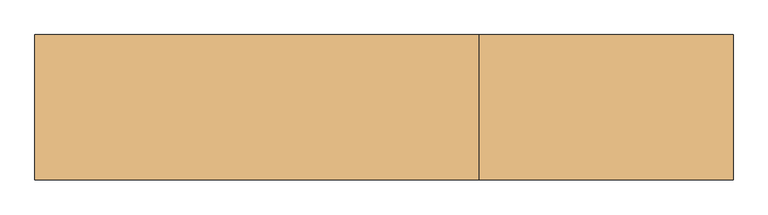
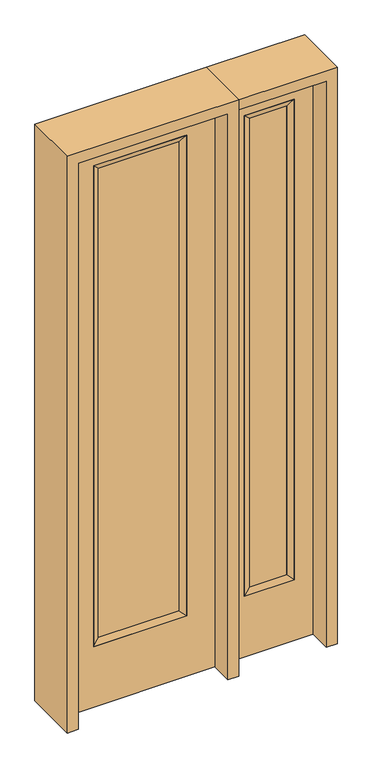
"""IFC4 building model written with IfcOpenShell, lengths in millimetres: door geometry."""

from ifc_helpers import new_model, si_unit, frame, origin, place, context, project, spatial, polyline, outline, extrude, faceted_brep, source, transform, mapped, element, save


def door_ce17be5e(model_context):
    return source(origin(), model_context, "Body", "SolidModel", [
        extrude(outline(polyline([(163.9824, -12.7039749), (-163.9824, -12.7039749), (-163.9824, 14.2875), (163.9824, 14.2875), (163.9824, -12.7039749)])), frame((0.0, 0.0, 285.75), z_axis=(0.0, 0.0, 1.0), x_axis=(1.0, 0.0, 0.0)), (0.0, 0.0, 1.0), 2019.3),
        faceted_brep([(163.9824, 14.2875, 2305.05), (189.3824, 22.225, 2330.45), (189.3824, 22.225, 260.35), (163.9824, 14.2875, 285.75), (189.3824, -22.225, 2330.45), (189.3824, -22.225, 260.35), (-189.3824, 22.225, 260.35), (-163.9824, 14.2875, 285.75), (163.9824, -12.7039749, 2305.05), (163.9824, -12.7039749, 285.75), (-163.9824, -12.7039749, 285.75), (-189.3824, -22.225, 260.35), (-189.3824, 22.225, 2330.45), (-163.9824, 14.2875, 2305.05), (-163.9824, -12.7039749, 2305.05), (-189.3824, -22.225, 2330.45)], [[[0, 1, 2, 3]], [[1, 4, 5, 2]], [[3, 2, 6, 7]], [[8, 0, 3, 9]], [[9, 3, 7, 10]], [[4, 8, 9, 5]], [[5, 9, 10, 11]], [[2, 5, 11, 6]], [[7, 6, 12, 13]], [[10, 7, 13, 14]], [[11, 10, 14, 15]], [[6, 11, 15, 12]], [[13, 12, 1, 0]], [[14, 13, 0, 8]], [[15, 14, 8, 4]], [[12, 15, 4, 1]]]),
        extrude(outline(polyline([(0.0, -304.8), (0.0, 304.8), (2438.4, 304.8), (2438.4, -304.8), (0.0, -304.8)]), holes=[polyline([(260.35, -189.3824), (2330.45, -189.3824), (2330.45, 189.3824), (260.35, 189.3824), (260.35, -189.3824)])]), frame((0.0, -22.225, 0.0), z_axis=(0.0, 1.0, 0.0), x_axis=(0.0, 0.0, 1.0)), (0.0, 0.0, 1.0), 44.45),
        faceted_brep([(425.45, 20.6375, 2330.45), (425.45, 20.6375, 260.35), (425.45, -20.6375, 260.35), (425.45, -20.6375, 2330.45), (450.85, -12.7, 285.75), (450.85, -12.7, 2305.05), (628.65, 20.6375, 260.35), (628.65, -20.6375, 260.35), (450.85, 12.7, 2305.05), (450.85, 12.7, 285.75), (603.25, 12.7, 285.75), (603.25, -12.7, 285.75), (628.65, 20.6375, 2330.45), (628.65, -20.6375, 2330.45), (603.25, 12.7, 2305.05), (603.25, -12.7, 2305.05)], [[[0, 1, 2, 3]], [[3, 2, 4, 5]], [[1, 6, 7, 2]], [[8, 9, 1, 0]], [[9, 10, 6, 1]], [[5, 4, 9, 8]], [[4, 11, 10, 9]], [[2, 7, 11, 4]], [[6, 12, 13, 7]], [[10, 14, 12, 6]], [[11, 15, 14, 10]], [[7, 13, 15, 11]], [[12, 0, 3, 13]], [[14, 8, 0, 12]], [[15, 5, 8, 14]], [[13, 3, 5, 15]]]),
        extrude(outline(polyline([(0.0, 704.85), (2438.4, 704.85), (2438.4, 349.25), (0.0, 349.25), (0.0, 704.85)]), holes=[polyline([(2330.45, 425.45), (2330.45, 628.65), (260.35, 628.65), (260.35, 425.45), (2330.45, 425.45)])]), frame((0.0, -20.6375, 0.0), z_axis=(0.0, 1.0, 0.0), x_axis=(0.0, 0.0, 1.0)), (0.0, 0.0, 1.0), 41.275),
        extrude(outline(polyline([(450.85, -12.7), (450.85, 12.7), (603.25, 12.7), (603.25, -12.7), (450.85, -12.7)])), frame((0.0, 0.0, 284.95625), z_axis=(0.0, 0.0, 1.0), x_axis=(1.0, 0.0, 0.0)), (0.0, 0.0, 1.0), 2020.09375),
        extrude(outline(polyline([(2482.85, -349.25), (0.0, -349.25), (0.0, -304.8), (2438.4, -304.8), (2438.4, 304.8), (0.0, 304.8), (0.0, 349.25), (2482.85, 349.25), (2482.85, -349.25)])), frame((0.0, -114.3, 0.0), z_axis=(0.0, 1.0, 0.0), x_axis=(0.0, 0.0, 1.0)), (0.0, 0.0, 1.0), 228.6),
        extrude(outline(polyline([(0.0, 704.85), (0.0, 749.3), (2482.85, 749.3), (2482.85, 349.25), (2438.4, 349.25), (2438.4, 704.85), (0.0, 704.85)])), frame((0.0, -114.3, 0.0), z_axis=(0.0, 1.0, 0.0), x_axis=(0.0, 0.0, 1.0)), (0.0, 0.0, 1.0), 228.6),
    ])


if __name__ == "__main__":
    model = new_model("IFC4")
    model_context = context("Model", 3, world=origin())
    ifc_project = project(units=[si_unit("LENGTHUNIT", "METRE", prefix="MILLI")], contexts=[model_context])
    site = spatial("IfcSite", under=ifc_project)
    building = spatial("IfcBuilding", under=site)
    placement = place(None, origin())
    door_shape = door_ce17be5e(model_context)
    element("IfcDoor", 1, at=placement, inside=building, context=model_context, shape_type="MappedRepresentation", body=[
        mapped(door_shape, transform((0.0, 0.0, 0.0), x_axis=(1.0, 0.0, 0.0), y_axis=(0.0, 1.0, 0.0), z_axis=(0.0, 0.0, 1.0))),
    ])
    save(model, "model.ifc")
